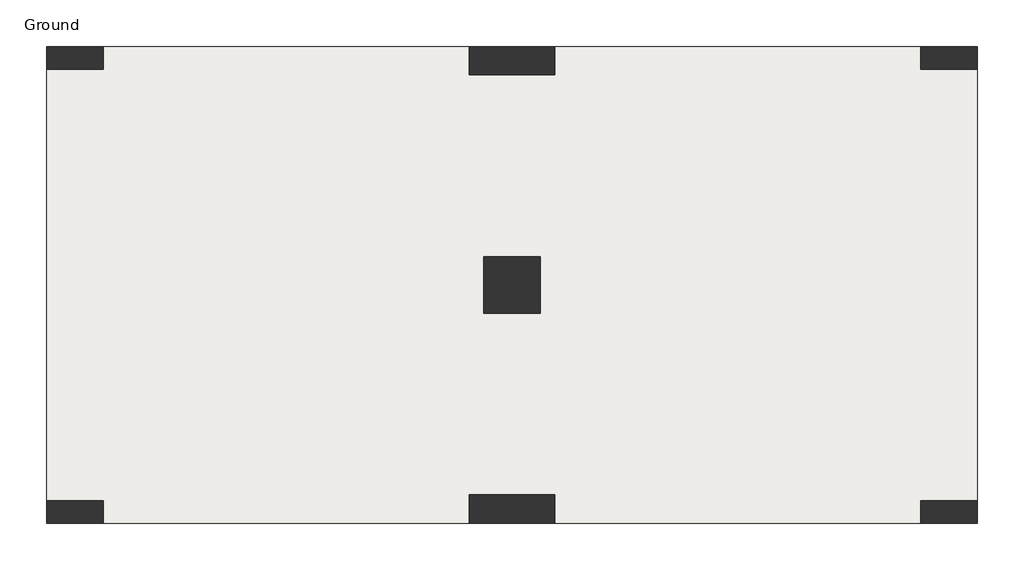
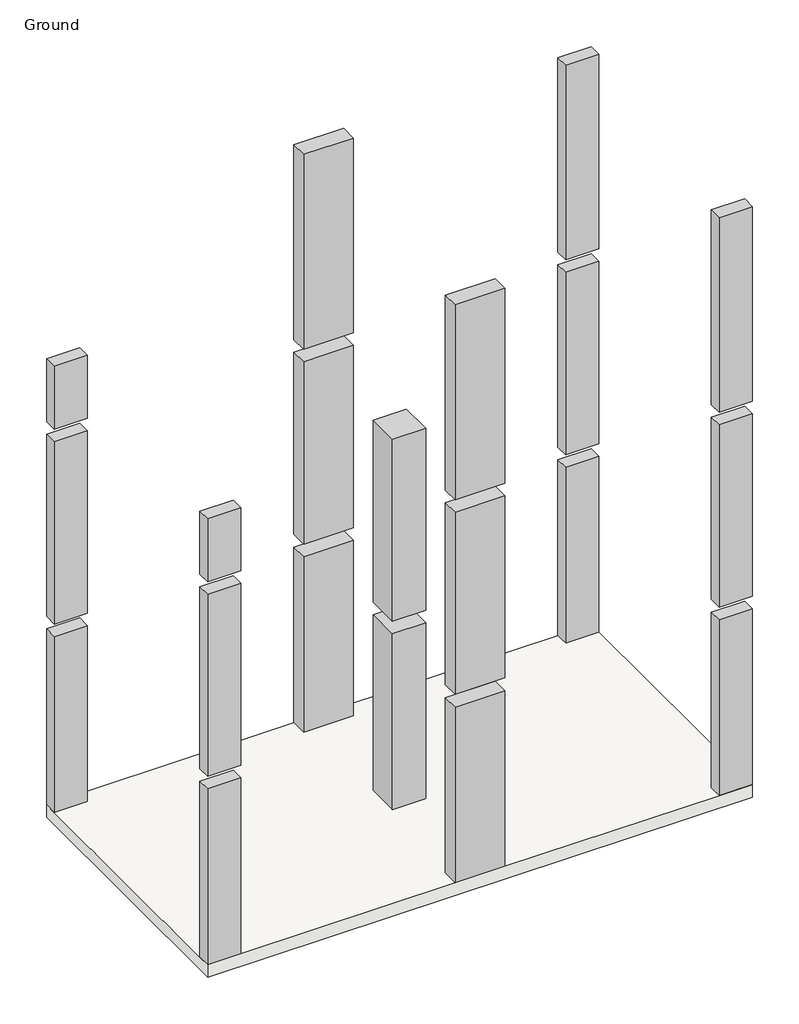
# One storey: 7 columns, 1 slab.
"""IFC4 building model written with IfcOpenShell, lengths in millimetres."""

from ifc_helpers import new_model, si_unit, frame, origin, place, context, project, spatial, polyline, outline, extrude, faceted_brep, element, save

model = new_model("IFC4")

# Units and contexts
model_context = context("Model", 3, world=origin())
ifc_project = project(units=[si_unit("LENGTHUNIT", "METRE", prefix="MILLI")], contexts=[model_context])

# Site, building, storey
site = spatial("IfcSite", under=ifc_project)
building = spatial("IfcBuilding", under=site)
storey = spatial("IfcBuildingStorey", under=building, Name="Ground", Elevation=2900.0)

# Columns
placement = place(None, origin())
element("IfcColumn", 1, ObjectType="Insitu-Column_Rectangular-Concrete : C1_200x500", at=placement, inside=storey, context=model_context, shape_type="Brep", body=[
    faceted_brep([(1676.8666032, 5951.6106545, 10000.0), (1676.8666032, 5751.6106545, 10000.0), (2176.8666032, 5751.6106545, 10000.0), (2176.8666032, 5951.6106545, 10000.0), (1676.8666032, 5951.6106545, 9000.0), (1676.8666032, 5751.6106545, 9000.0), (2176.8666032, 5751.6106545, 9000.0), (2176.8666032, 5951.6106545, 9000.0)], [[[0, 1, 2, 3]], [[1, 0, 4, 5]], [[2, 1, 5, 6]], [[3, 2, 6, 7]], [[0, 3, 7, 4]], [[5, 4, 7, 6]]]),
    faceted_brep([(1676.8666032, 5951.6106545, 2900.0), (1876.8666032, 5951.6106545, 2900.0), (2176.8666032, 5951.6106545, 2900.0), (2176.8666032, 5751.6106545, 2900.0), (1876.8666032, 5751.6106545, 2900.0), (1676.8666032, 5751.6106545, 2900.0), (1676.8666032, 5951.6106545, 5700.0), (1676.8666032, 5751.6106545, 5700.0), (2176.8666032, 5751.6106545, 5700.0), (2176.8666032, 5951.6106545, 5700.0)], [[[0, 1, 2, 3, 4, 5]], [[6, 7, 8, 9]], [[0, 5, 7, 6]], [[5, 4, 3, 8, 7]], [[3, 2, 9, 8]], [[2, 1, 0, 6, 9]]]),
    faceted_brep([(1676.8666032, 5751.6106545, 5900.0), (1676.8666032, 5951.6106545, 5900.0), (2176.8666032, 5951.6106545, 5900.0), (2176.8666032, 5751.6106545, 5900.0), (1676.8666032, 5951.6106545, 8800.0), (1676.8666032, 5751.6106545, 8800.0), (2176.8666032, 5751.6106545, 8800.0), (2176.8666032, 5951.6106545, 8800.0)], [[[0, 1, 2, 3]], [[4, 5, 6, 7]], [[1, 0, 5, 4]], [[0, 3, 6, 5]], [[3, 2, 7, 6]], [[2, 1, 4, 7]]]),
])
element("IfcColumn", 2, ObjectType="Insitu-Column_Rectangular-Concrete : C1_200x500", at=placement, inside=storey, context=model_context, shape_type="Brep", body=[
    faceted_brep([(1676.8666032, 1951.6106545, 10000.0), (1676.8666032, 1751.6106545, 10000.0), (2176.8666032, 1751.6106545, 10000.0), (2176.8666032, 1951.6106545, 10000.0), (1676.8666032, 1951.6106545, 9000.0), (1676.8666032, 1751.6106545, 9000.0), (2176.8666032, 1951.6106545, 9000.0), (2176.8666032, 1751.6106545, 9000.0)], [[[0, 1, 2, 3]], [[1, 0, 4, 5]], [[0, 3, 6, 4]], [[3, 2, 7, 6]], [[2, 1, 5, 7]], [[5, 4, 6, 7]]]),
    faceted_brep([(2176.8666032, 1751.6106545, 2900.0), (1876.8666032, 1751.6106545, 2900.0), (1676.8666032, 1751.6106545, 2900.0), (1676.8666032, 1951.6106545, 2900.0), (1876.8666032, 1951.6106545, 2900.0), (2176.8666032, 1951.6106545, 2900.0), (1676.8666032, 1951.6106545, 5700.0), (1676.8666032, 1751.6106545, 5700.0), (2176.8666032, 1751.6106545, 5700.0), (2176.8666032, 1951.6106545, 5700.0)], [[[0, 1, 2, 3, 4, 5]], [[6, 7, 8, 9]], [[3, 2, 7, 6]], [[5, 4, 3, 6, 9]], [[0, 5, 9, 8]], [[2, 1, 0, 8, 7]]]),
    faceted_brep([(1676.8666032, 1751.6106545, 5900.0), (1676.8666032, 1951.6106545, 5900.0), (2176.8666032, 1951.6106545, 5900.0), (2176.8666032, 1751.6106545, 5900.0), (1676.8666032, 1951.6106545, 8800.0), (1676.8666032, 1751.6106545, 8800.0), (2176.8666032, 1751.6106545, 8800.0), (2176.8666032, 1951.6106545, 8800.0)], [[[0, 1, 2, 3]], [[4, 5, 6, 7]], [[1, 0, 5, 4]], [[2, 1, 4, 7]], [[3, 2, 7, 6]], [[0, 3, 6, 5]]]),
])
element("IfcColumn", 3, ObjectType="Insitu-Column_Rectangular-Concrete : C2_250x750", at=placement, inside=storey, context=model_context, shape_type="SweptSolid", body=[
    extrude(outline(polyline([(5401.8666032, 5701.6106545), (5401.8666032, 5951.6106545), (6151.8666032, 5951.6106545), (6151.8666032, 5701.6106545), (5401.8666032, 5701.6106545)])), frame((0.0, 0.0, 9000.0), z_axis=(0.0, 0.0, 1.0), x_axis=(1.0, 0.0, 0.0)), (0.0, 0.0, 1.0), 3100.0),
    extrude(outline(polyline([(5401.8666032, 5951.6106545), (6151.8666032, 5951.6106545), (6151.8666032, 5701.6106545), (5401.8666032, 5701.6106545), (5401.8666032, 5951.6106545)])), frame((0.0, 0.0, 2900.0), z_axis=(0.0, 0.0, 1.0), x_axis=(1.0, 0.0, 0.0)), (0.0, 0.0, 1.0), 2800.0),
    extrude(outline(polyline([(5401.8666032, 5701.6106545), (5401.8666032, 5951.6106545), (6151.8666032, 5951.6106545), (6151.8666032, 5701.6106545), (5401.8666032, 5701.6106545)])), frame((0.0, 0.0, 5900.0), z_axis=(0.0, 0.0, 1.0), x_axis=(1.0, 0.0, 0.0)), (0.0, 0.0, 1.0), 2900.0),
])
element("IfcColumn", 4, ObjectType="Insitu-Column_Rectangular-Concrete : C2_250x750", at=placement, inside=storey, context=model_context, shape_type="SweptSolid", body=[
    extrude(outline(polyline([(5401.8666032, 1751.6106545), (5401.8666032, 2001.6106545), (6151.8666032, 2001.6106545), (6151.8666032, 1751.6106545), (5401.8666032, 1751.6106545)])), frame((0.0, 0.0, 9000.0), z_axis=(0.0, 0.0, 1.0), x_axis=(1.0, 0.0, 0.0)), (0.0, 0.0, 1.0), 3100.0),
    extrude(outline(polyline([(6151.8666032, 1751.6106545), (5401.8666032, 1751.6106545), (5401.8666032, 2001.6106545), (6151.8666032, 2001.6106545), (6151.8666032, 1751.6106545)])), frame((0.0, 0.0, 2900.0), z_axis=(0.0, 0.0, 1.0), x_axis=(1.0, 0.0, 0.0)), (0.0, 0.0, 1.0), 2800.0),
    extrude(outline(polyline([(5401.8666032, 1751.6106545), (5401.8666032, 2001.6106545), (6151.8666032, 2001.6106545), (6151.8666032, 1751.6106545), (5401.8666032, 1751.6106545)])), frame((0.0, 0.0, 5900.0), z_axis=(0.0, 0.0, 1.0), x_axis=(1.0, 0.0, 0.0)), (0.0, 0.0, 1.0), 2900.0),
])
element("IfcColumn", 5, ObjectType="Insitu-Column_Rectangular-Concrete : C3_500x500", at=placement, inside=storey, context=model_context, shape_type="SweptSolid", body=[
    extrude(outline(polyline([(5526.8666032, 4101.6106545), (6026.8666032, 4101.6106545), (6026.8666032, 3601.6106545), (5526.8666032, 3601.6106545), (5526.8666032, 4101.6106545)])), frame((0.0, 0.0, 2900.0), z_axis=(0.0, 0.0, 1.0), x_axis=(1.0, 0.0, 0.0)), (0.0, 0.0, 1.0), 2800.0),
    extrude(outline(polyline([(5526.8666032, 3601.6106545), (5526.8666032, 4101.6106545), (6026.8666032, 4101.6106545), (6026.8666032, 3601.6106545), (5526.8666032, 3601.6106545)])), frame((0.0, 0.0, 5900.0), z_axis=(0.0, 0.0, 1.0), x_axis=(1.0, 0.0, 0.0)), (0.0, 0.0, 1.0), 2900.0),
])
element("IfcColumn", 6, ObjectType="Insitu-Column_Rectangular-Concrete : C4_200x500", at=placement, inside=storey, context=model_context, shape_type="SweptSolid", body=[
    extrude(outline(polyline([(9876.8666032, 5951.6106545), (9876.8666032, 5751.6106545), (9376.8666032, 5751.6106545), (9376.8666032, 5951.6106545), (9876.8666032, 5951.6106545)])), frame((0.0, 0.0, 9000.0), z_axis=(0.0, 0.0, 1.0), x_axis=(1.0, 0.0, 0.0)), (0.0, 0.0, 1.0), 3100.0),
    extrude(outline(polyline([(9376.8666032, 5951.6106545), (9876.8666032, 5951.6106545), (9876.8666032, 5751.6106545), (9376.8666032, 5751.6106545), (9376.8666032, 5951.6106545)])), frame((0.0, 0.0, 2900.0), z_axis=(0.0, 0.0, 1.0), x_axis=(1.0, 0.0, 0.0)), (0.0, 0.0, 1.0), 2800.0),
    extrude(outline(polyline([(9876.8666032, 5951.6106545), (9876.8666032, 5751.6106545), (9376.8666032, 5751.6106545), (9376.8666032, 5951.6106545), (9876.8666032, 5951.6106545)])), frame((0.0, 0.0, 5900.0), z_axis=(0.0, 0.0, 1.0), x_axis=(1.0, 0.0, 0.0)), (0.0, 0.0, 1.0), 2900.0),
])
element("IfcColumn", 7, ObjectType="Insitu-Column_Rectangular-Concrete : C4_200x500", at=placement, inside=storey, context=model_context, shape_type="Brep", body=[
    faceted_brep([(9876.8666032, 1751.6106545, 12100.0), (9876.8666032, 1951.6106545, 12100.0), (9376.8666032, 1951.6106545, 12100.0), (9376.8666032, 1751.6106545, 12100.0), (9876.8666032, 1751.6106545, 9000.0), (9876.8666032, 1951.6106545, 9000.0), (9376.8666032, 1951.6106545, 9000.0), (9376.8666032, 1751.6106545, 9000.0)], [[[0, 1, 2, 3]], [[1, 0, 4, 5]], [[2, 1, 5, 6]], [[3, 2, 6, 7]], [[0, 3, 7, 4]], [[5, 4, 7, 6]]]),
    faceted_brep([(9876.8666032, 1751.6106545, 2900.0), (9676.8666032, 1751.6106545, 2900.0), (9376.8666032, 1751.6106545, 2900.0), (9376.8666032, 1951.6106545, 2900.0), (9676.8666032, 1951.6106545, 2900.0), (9876.8666032, 1951.6106545, 2900.0), (9876.8666032, 1751.6106545, 5700.0), (9876.8666032, 1951.6106545, 5700.0), (9376.8666032, 1951.6106545, 5700.0), (9376.8666032, 1751.6106545, 5700.0)], [[[0, 1, 2, 3, 4, 5]], [[6, 7, 8, 9]], [[0, 5, 7, 6]], [[5, 4, 3, 8, 7]], [[3, 2, 9, 8]], [[2, 1, 0, 6, 9]]]),
    faceted_brep([(9876.8666032, 1951.6106545, 5900.0), (9876.8666032, 1751.6106545, 5900.0), (9376.8666032, 1751.6106545, 5900.0), (9376.8666032, 1951.6106545, 5900.0), (9876.8666032, 1751.6106545, 8800.0), (9876.8666032, 1951.6106545, 8800.0), (9376.8666032, 1951.6106545, 8800.0), (9376.8666032, 1751.6106545, 8800.0)], [[[0, 1, 2, 3]], [[4, 5, 6, 7]], [[1, 0, 5, 4]], [[0, 3, 6, 5]], [[3, 2, 7, 6]], [[2, 1, 4, 7]]]),
])

# Slab
element("IfcSlab", 8, at=placement, inside=storey, context=model_context, shape_type="Brep", body=[
    faceted_brep([(9876.8666032, 5951.6106545, 2700.0), (9876.8666032, 1751.6106545, 2700.0), (1676.8666032, 1751.6106545, 2700.0), (1676.8666032, 5951.6106545, 2700.0), (9876.8666032, 5951.6106545, 2900.0), (9376.8666032, 5951.6106545, 2900.0), (6151.8666032, 5951.6106545, 2900.0), (5401.8666032, 5951.6106545, 2900.0), (2176.8666032, 5951.6106545, 2900.0), (1676.8666032, 5951.6106545, 2900.0), (1676.8666032, 5751.6106545, 2900.0), (1676.8666032, 1951.6106545, 2900.0), (1676.8666032, 1751.6106545, 2900.0), (2176.8666032, 1751.6106545, 2900.0), (5401.8666032, 1751.6106545, 2900.0), (6151.8666032, 1751.6106545, 2900.0), (9376.8666032, 1751.6106545, 2900.0), (9876.8666032, 1751.6106545, 2900.0), (9876.8666032, 1951.6106545, 2900.0), (9876.8666032, 5751.6106545, 2900.0)], [[[0, 1, 2, 3]], [[4, 5, 6, 7, 8, 9, 10, 11, 12, 13, 14, 15, 16, 17, 18, 19]], [[1, 0, 4, 19, 18, 17]], [[2, 1, 17, 16, 15, 14, 13, 12]], [[3, 2, 12, 11, 10, 9]], [[0, 3, 9, 8, 7, 6, 5, 4]]]),
])

save(model, "model.ifc")
